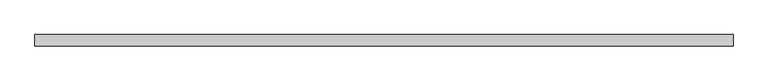
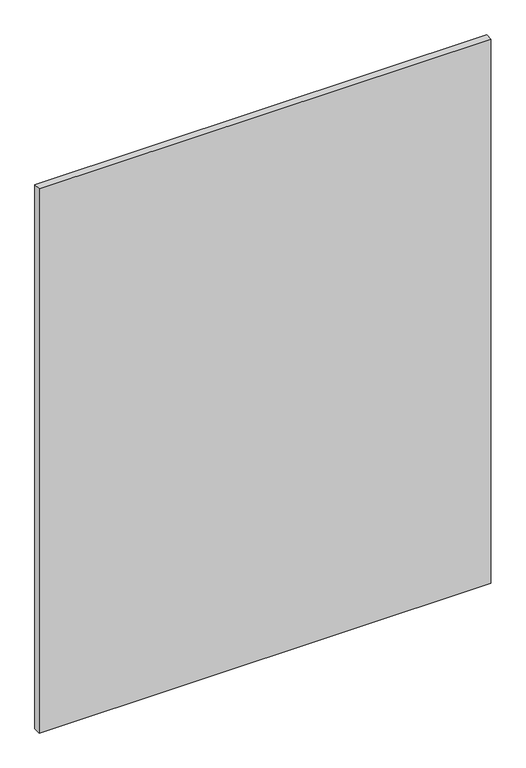
"""IFC4 building model written with IfcOpenShell, lengths in millimetres: plate geometry."""

from ifc_helpers import new_model, si_unit, origin, origin_with_axes, place, context, project, spatial, polyline, outline, extrude, source, transform, mapped, element, save


def plate_fc1a45ee(model_context):
    return source(origin(), model_context, "Body", "SweptSolid", [
        extrude(outline(polyline([(785.0, -49.5), (-785.0, -49.5), (-785.0, -24.5), (785.0, -24.5), (785.0, -49.5)])), origin_with_axes(), (0.0, 0.0, 1.0), 2000.0),
    ])


if __name__ == "__main__":
    model = new_model("IFC4")
    model_context = context("Model", 3, world=origin())
    ifc_project = project(units=[si_unit("LENGTHUNIT", "METRE", prefix="MILLI")], contexts=[model_context])
    site = spatial("IfcSite", under=ifc_project)
    building = spatial("IfcBuilding", under=site)
    placement = place(None, origin())
    plate_shape = plate_fc1a45ee(model_context)
    element("IfcPlate", 1, at=placement, inside=building, context=model_context, shape_type="MappedRepresentation", body=[
        mapped(plate_shape, transform((0.0, 0.0, 0.0), x_axis=(1.0, 0.0, 0.0), y_axis=(0.0, 1.0, 0.0), z_axis=(0.0, 0.0, 1.0))),
    ])
    save(model, "model.ifc")
